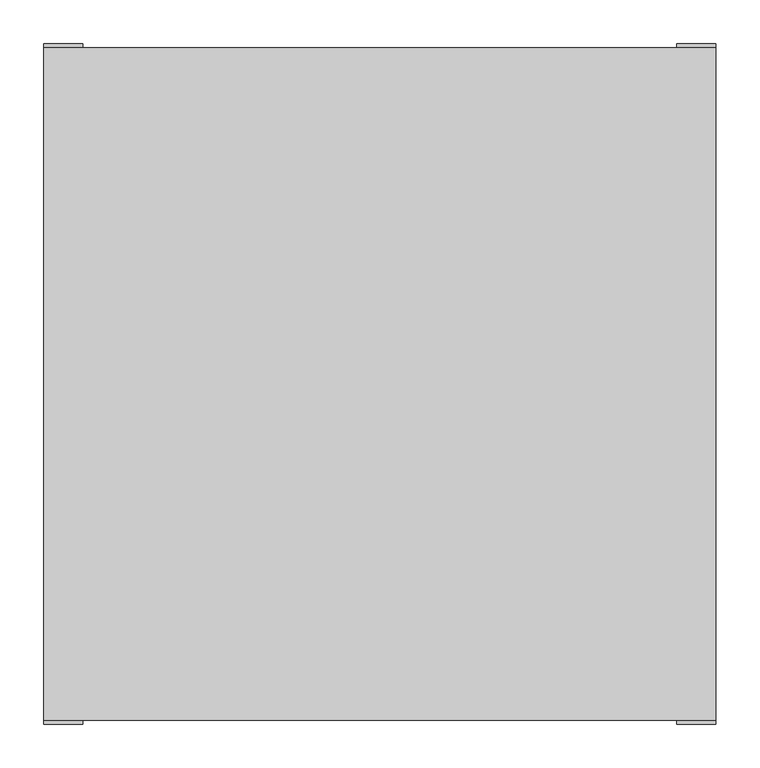
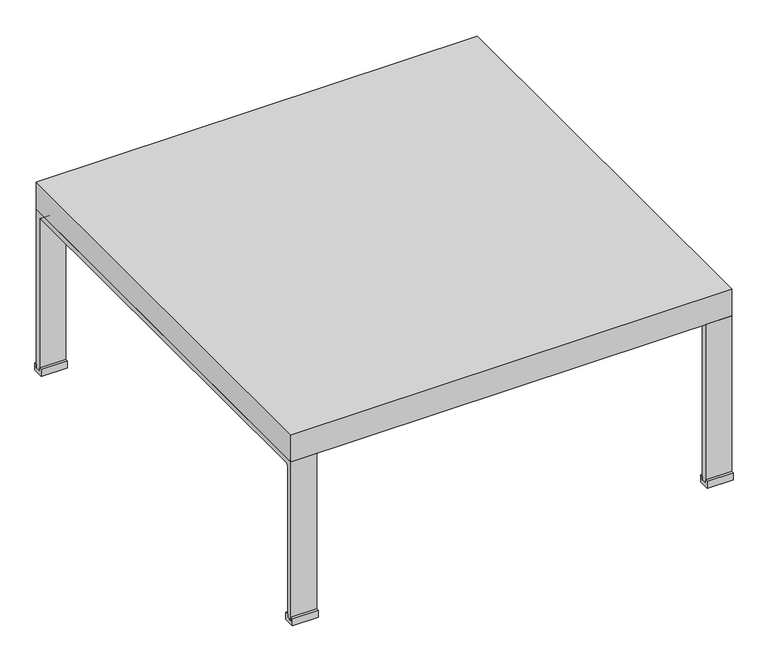
"""IFC4 building model written with IfcOpenShell, lengths in millimetres: furniture geometry."""

from ifc_helpers import new_model, si_unit, point, frame, frame_2d, origin, place, context, project, spatial, polyline, circle_curve, trimmed, segment, composite_curve, outline, extrude, source, transform, mapped, element, save


def furniture_afcb05f8(model_context):
    return source(origin(), model_context, "Body", "SweptSolid", [
        extrude(outline(polyline([(385.0183594, 12.7), (389.7808594, 12.7), (389.7808594, 0.0), (370.2347656, 0.0), (370.2347656, 12.7), (374.9972656, 12.7), (374.9972656, 6.35), (385.0183594, 6.35), (385.0183594, 12.7)])), frame((339.9730469, 0.0, 0.0), z_axis=(1.0, 0.0, 0.0), x_axis=(0.0, 1.0, 0.0)), (0.0, 0.0, 1.0), 45.0453125),
        extrude(outline(polyline([(-385.0183594, 12.7), (-385.0183594, 6.35), (-374.9972656, 6.35), (-374.9972656, 12.7), (-370.2347656, 12.7), (-370.2347656, 0.0), (-389.7808594, 0.0), (-389.7808594, 12.7), (-385.0183594, 12.7)])), frame((339.9730469, 0.0, 0.0), z_axis=(1.0, 0.0, 0.0), x_axis=(0.0, 1.0, 0.0)), (0.0, 0.0, 1.0), 45.0453125),
        extrude(outline(composite_curve([segment(polyline([(-374.9972656, 6.35), (-385.0183594, 6.35), (-385.0183594, 300.0000023), (385.0183594, 300.0000023), (385.0183594, 6.35), (374.9972656, 6.35), (374.9972656, 286.8250313)]), True, "CONTINUOUS"), segment(trimmed(circle_curve(frame_2d((371.8222656, 286.8250313)), 3.175), [point((374.9972656, 286.8250313))], [point((371.8222656, 290.0000313))], True, "CARTESIAN"), True, "CONTINUOUS"), segment(polyline([(371.8222656, 290.0000313), (-371.8222656, 290.0000313)]), True, "CONTINUOUS"), segment(trimmed(circle_curve(frame_2d((-371.8222656, 286.8250313)), 3.175), [point((-371.8222656, 290.0000313))], [point((-374.9972656, 286.8250313))], True, "CARTESIAN"), True, "CONTINUOUS"), segment(polyline([(-374.9972656, 286.8250313), (-374.9972656, 6.35)]), True, "CONTINUOUS")], self_intersect=False)), frame((339.9730469, 0.0, 0.0), z_axis=(1.0, 0.0, 0.0), x_axis=(0.0, 1.0, 0.0)), (0.0, 0.0, 1.0), 45.0453125),
        extrude(outline(polyline([(385.0183594, 12.7), (389.7808594, 12.7), (389.7808594, 0.0), (370.2347656, 0.0), (370.2347656, 12.7), (374.9972656, 12.7), (374.9972656, 6.35), (385.0183594, 6.35), (385.0183594, 12.7)])), frame((-385.0183594, 0.0, 0.0), z_axis=(1.0, 0.0, 0.0), x_axis=(0.0, 1.0, 0.0)), (0.0, 0.0, 1.0), 45.0453125),
        extrude(outline(polyline([(-385.0183594, 12.7), (-385.0183594, 6.35), (-374.9972656, 6.35), (-374.9972656, 12.7), (-370.2347656, 12.7), (-370.2347656, 0.0), (-389.7808594, 0.0), (-389.7808594, 12.7), (-385.0183594, 12.7)])), frame((-385.0183594, 0.0, 0.0), z_axis=(1.0, 0.0, 0.0), x_axis=(0.0, 1.0, 0.0)), (0.0, 0.0, 1.0), 45.0453125),
        extrude(outline(polyline([(385.0183594, 385.0183594), (385.0183594, -385.0183594), (-385.0183594, -385.0183594), (-385.0183594, 385.0183594), (385.0183594, 385.0183594)])), frame((0.0, 0.0, 300.0000023), z_axis=(0.0, 0.0, 1.0), x_axis=(1.0, 0.0, 0.0)), (0.0, 0.0, 1.0), 50.0437477),
        extrude(outline(composite_curve([segment(polyline([(-374.9972656, 6.35), (-385.0183594, 6.35), (-385.0183594, 300.0000023), (385.0183594, 300.0000023), (385.0183594, 6.35), (374.9972656, 6.35), (374.9972656, 286.8250313)]), True, "CONTINUOUS"), segment(trimmed(circle_curve(frame_2d((371.8222656, 286.8250313)), 3.175), [point((374.9972656, 286.8250313))], [point((371.8222656, 290.0000313))], True, "CARTESIAN"), True, "CONTINUOUS"), segment(polyline([(371.8222656, 290.0000313), (-371.8222656, 290.0000313)]), True, "CONTINUOUS"), segment(trimmed(circle_curve(frame_2d((-371.8222656, 286.8250313)), 3.175), [point((-371.8222656, 290.0000313))], [point((-374.9972656, 286.8250313))], True, "CARTESIAN"), True, "CONTINUOUS"), segment(polyline([(-374.9972656, 286.8250313), (-374.9972656, 6.35)]), True, "CONTINUOUS")], self_intersect=False)), frame((-385.0183594, 0.0, 0.0), z_axis=(1.0, 0.0, 0.0), x_axis=(0.0, 1.0, 0.0)), (0.0, 0.0, 1.0), 45.0453125),
    ])


if __name__ == "__main__":
    model = new_model("IFC4")
    model_context = context("Model", 3, world=origin())
    ifc_project = project(units=[si_unit("LENGTHUNIT", "METRE", prefix="MILLI")], contexts=[model_context])
    site = spatial("IfcSite", under=ifc_project)
    building = spatial("IfcBuilding", under=site)
    placement = place(None, origin())
    furniture_shape = furniture_afcb05f8(model_context)
    element("IfcFurniture", 1, at=placement, inside=building, context=model_context, shape_type="MappedRepresentation", body=[
        mapped(furniture_shape, transform((0.0, 0.0, 0.0), x_axis=(1.0, 0.0, 0.0), y_axis=(0.0, 1.0, 0.0), z_axis=(0.0, 0.0, 1.0))),
    ])
    save(model, "model.ifc")
